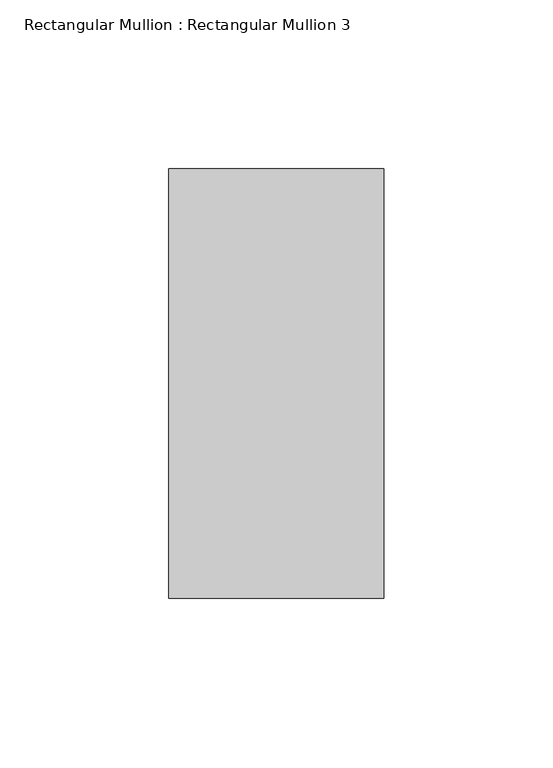
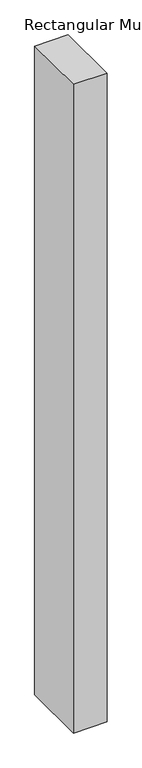
"""IFC4 building model written with IfcOpenShell, lengths in millimetres: member geometry, Rectangular Mullion : Rectangular Mullion 3."""

from ifc_helpers import new_model, si_unit, frame, origin, place, context, project, spatial, polyline, outline, extrude, source, transform, mapped, element, save


def rectangular_mullion_rectangular_mullion_3_5715caec(model_context):
    return source(origin(), model_context, "Body", "SweptSolid", [
        extrude(outline(polyline([(63.6, 188.5), (63.6, 61.5), (0.0, 61.5), (0.0, 188.5), (63.6, 188.5)])), frame((0.0, 0.0, -1300.0), z_axis=(0.0, 0.0, 1.0), x_axis=(1.0, 0.0, 0.0)), (0.0, 0.0, 1.0), 1300.0),
    ])


if __name__ == "__main__":
    model = new_model("IFC4")
    model_context = context("Model", 3, world=origin())
    ifc_project = project(units=[si_unit("LENGTHUNIT", "METRE", prefix="MILLI")], contexts=[model_context])
    site = spatial("IfcSite", under=ifc_project)
    building = spatial("IfcBuilding", under=site)
    placement = place(None, origin())
    rectangular_mullion_rectangular_mullion_3_shape = rectangular_mullion_rectangular_mullion_3_5715caec(model_context)
    element("IfcMember", 1, ObjectType="Rectangular Mullion : Rectangular Mullion 3", at=placement, inside=building, context=model_context, shape_type="MappedRepresentation", body=[
        mapped(rectangular_mullion_rectangular_mullion_3_shape, transform((0.0, 0.0, 0.0), x_axis=(1.0, 0.0, 0.0), y_axis=(0.0, 1.0, 0.0), z_axis=(0.0, 0.0, 1.0))),
    ])
    save(model, "model.ifc")
